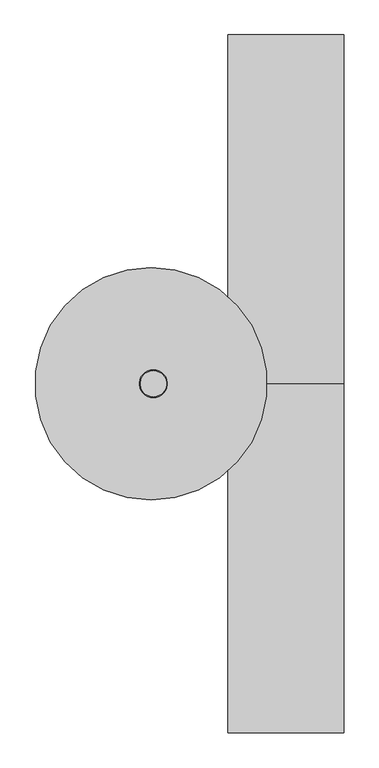
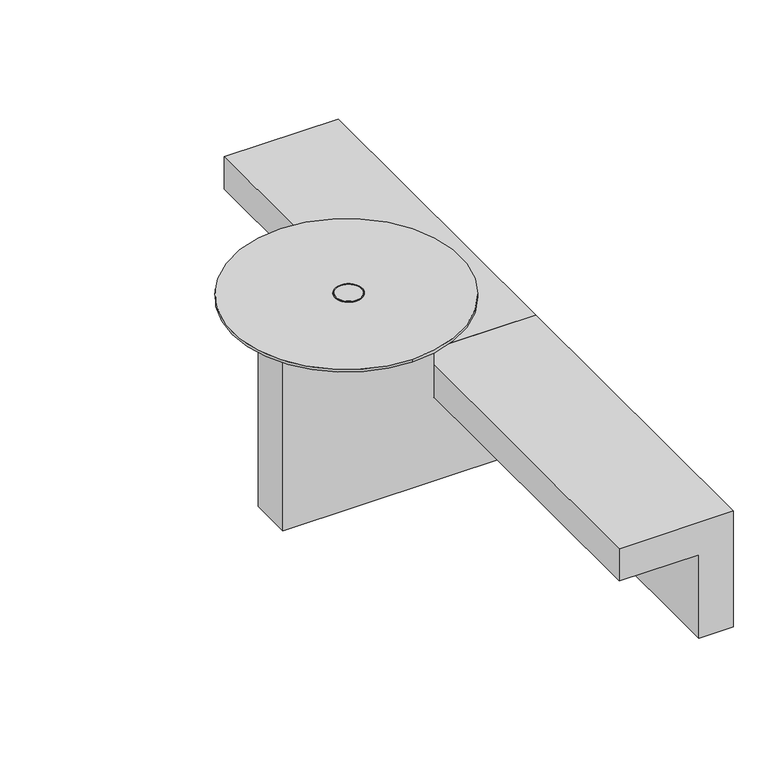
"""IFC4 building model written with IfcOpenShell, lengths in millimetres: furniture geometry."""

from ifc_helpers import new_model, si_unit, point, frame, frame_2d, origin, origin_with_axes, place, context, project, spatial, polyline, circle_curve, ellipse_curve, trimmed, segment, composite_curve, outline, extrude, source, transform, mapped, element, save
from ifc_brep_helpers import plane_surface, cylinder_surface, revolved_surface, advanced_brep


def furniture_77ed1061(model_context):
    return source(origin(), model_context, "Body", "SolidModel", [
        extrude(outline(composite_curve([segment(trimmed(circle_curve(frame_2d((-536.25, 0.0)), 48.0), [point((-536.25, 48.0))], [point((-536.25, -48.0))], False, "CARTESIAN"), True, "CONTINUOUS"), segment(trimmed(circle_curve(frame_2d((-536.25, 0.0)), 48.0), [point((-536.25, -48.0))], [point((-536.25, 48.0))], False, "CARTESIAN"), True, "CONTINUOUS")], self_intersect=False), holes=[composite_curve([segment(trimmed(circle_curve(frame_2d((-536.25, 0.0)), 45.0), [point((-536.25, 45.0))], [point((-536.25, -45.0))], True, "CARTESIAN"), True, "CONTINUOUS"), segment(trimmed(circle_curve(frame_2d((-536.25, 0.0)), 45.0), [point((-536.25, -45.0))], [point((-536.25, 45.0))], True, "CARTESIAN"), True, "CONTINUOUS")], self_intersect=False)]), frame((0.0, 0.0, 750.0), z_axis=(0.0, 0.0, 1.0), x_axis=(1.0, 0.0, 0.0)), (0.0, 0.0, 1.0), 2.0),
        extrude(outline(composite_curve([segment(trimmed(circle_curve(frame_2d((-536.25, 0.0)), 45.0), [point((-536.25, 45.0))], [point((-536.25, -45.0))], False, "CARTESIAN"), True, "CONTINUOUS"), segment(trimmed(circle_curve(frame_2d((-536.25, 0.0)), 45.0), [point((-536.25, -45.0))], [point((-536.25, 45.0))], False, "CARTESIAN"), True, "CONTINUOUS")], self_intersect=False)), frame((0.0, 0.0, 750.0), z_axis=(0.0, 0.0, 1.0), x_axis=(1.0, 0.0, 0.0)), (0.0, 0.0, 1.0), 2.0),
        advanced_brep(
        [(-278.0713252, 0.2775135, 562.6436849), (-278.0713252, 0.2775135, 518.1649803), (-269.2923071, 0.2775135, 518.1649803), (-269.2923071, 0.2775135, 562.6436849)],
        [
            (0, 1, circle_curve(frame((-278.0713252, 0.2775135, 540.4043326), z_axis=(-1.0, 0.0, 0.0), x_axis=(0.0, 0.0, -1.0)), 22.2393523)),
            (1, 0, circle_curve(frame((-278.0713252, 0.2775135, 540.4043326), z_axis=(-1.0, 0.0, 0.0), x_axis=(0.0, 0.0, -1.0)), 22.2393523)),
            (1, 2),
            (2, 3, ellipse_curve(frame((-269.2923071, 0.2775135, 540.4043326), z_axis=(-0.9848077530122081, 0.17364817766693016, 0.0), x_axis=(0.17364817766692978, 0.9848077530122081, 0.0)), 22.5824302, 22.2393523)),
            (3, 0),
            (3, 2, ellipse_curve(frame((-269.2923071, 0.2775135, 540.4043326), z_axis=(-0.9848077530122081, 0.17364817766693016, 0.0), x_axis=(0.17364817766692978, 0.9848077530122081, 0.0)), 22.5824302, 22.2393523)),
        ],
        [
            plane_surface(frame((-278.0713252, 0.2775135, 518.1649803), z_axis=(-1.0, 0.0, 0.0), x_axis=(0.0, -1.0, 0.0))),
            cylinder_surface(frame((-278.0713252, 0.2775135, 540.4043326), z_axis=(1.0, 0.0, 0.0), x_axis=(0.0, 0.0, -1.0)), 22.2393523),
            plane_surface(frame((-273.6676792, -24.5364551, 516.2000865), z_axis=(0.9848077530122081, -0.17364817766693016, 0.0), x_axis=(0.0, 0.0, 1.0))),
        ],
        [
            (0, [[1, 2]]),
            (1, [[-2, 3, 4, 5]]),
            (1, [[-1, -5, 6, -3]]),
            (2, [[-4, -6]]),
        ],
    ),
        extrude(outline(composite_curve([segment(trimmed(circle_curve(frame_2d((0.6057727, 550.3755519)), 45.0), [point((0.6057727, 595.3755519))], [point((0.6057727, 505.3755519))], False, "CARTESIAN"), True, "CONTINUOUS"), segment(trimmed(circle_curve(frame_2d((0.6057727, 550.3755519)), 45.0), [point((0.6057727, 505.3755519))], [point((0.6057727, 595.3755519))], False, "CARTESIAN"), True, "CONTINUOUS")], self_intersect=False)), frame((-280.0, 0.0, 0.0), z_axis=(1.0, 0.0, 0.0), x_axis=(0.0, 1.0, 0.0)), (0.0, 0.0, 1.0), 1.9286748),
        extrude(outline(polyline([(-669.1165811, 76.0), (-421.1165843, 76.0), (-421.1165843, 74.0), (-669.1165811, 74.0), (-669.1165811, 76.0)])), frame((0.0, 0.0, 513.9800009), z_axis=(0.0, 0.0, 1.0), x_axis=(1.0, 0.0, 0.0)), (0.0, 0.0, 1.0), 122.0399981),
        extrude(outline(composite_curve([segment(trimmed(circle_curve(frame_2d((629.0199994, -417.1165832)), 19.9999965), [point((629.0199994, -397.1165866))], [point((649.0199959, -417.1165832))], False, "CARTESIAN"), True, "CONTINUOUS"), segment(polyline([(649.0199959, -417.1165832), (649.0199959, -673.1165822)]), True, "CONTINUOUS"), segment(trimmed(circle_curve(frame_2d((629.0199994, -673.1165822)), 19.9999965), [point((649.0199959, -673.1165822))], [point((629.0199994, -693.1165787))], False, "CARTESIAN"), True, "CONTINUOUS"), segment(polyline([(629.0199994, -693.1165787), (520.9800006, -693.1165787)]), True, "CONTINUOUS"), segment(trimmed(circle_curve(frame_2d((520.9800006, -673.1165822)), 19.9999965), [point((520.9800006, -693.1165787))], [point((500.9800041, -673.1165822))], False, "CARTESIAN"), True, "CONTINUOUS"), segment(polyline([(500.9800041, -673.1165822), (500.9800041, -419.1165792)]), True, "CONTINUOUS"), segment(trimmed(circle_curve(frame_2d((520.8797536, -417.1165866)), 20.0), [point((500.9800041, -419.1165792))], [point((520.8797536, -397.1165866))], False, "CARTESIAN"), True, "CONTINUOUS"), segment(polyline([(520.8797536, -397.1165866), (629.0199994, -397.1165866)]), True, "CONTINUOUS")], self_intersect=False), holes=[polyline([(513.9800009, -669.1165811), (636.0199991, -669.1165811), (636.0199991, -421.1165843), (513.9800009, -421.1165843), (513.9800009, -669.1165811)])]), frame((0.0, 75.0, 0.0), z_axis=(0.0, 1.0, 0.0), x_axis=(0.0, 0.0, 1.0)), (0.0, 0.0, 1.0), 2.0),
        extrude(outline(composite_curve([segment(trimmed(circle_curve(frame_2d((60.423152, -49.9759416)), 25.0), [point((60.423152, -24.9759416))], [point((60.423152, -74.9759416))], False, "CARTESIAN"), True, "CONTINUOUS"), segment(trimmed(circle_curve(frame_2d((60.423152, -49.9759416)), 25.0), [point((60.423152, -74.9759416))], [point((60.423152, -24.9759416))], False, "CARTESIAN"), True, "CONTINUOUS")], self_intersect=False)), origin_with_axes(), (0.0, 0.0, 1.0), 10.0),
        extrude(outline(composite_curve([segment(trimmed(circle_curve(frame_2d((60.423152, 50.0240584)), 25.0), [point((60.423152, 75.0240584))], [point((60.423152, 25.0240584))], False, "CARTESIAN"), True, "CONTINUOUS"), segment(trimmed(circle_curve(frame_2d((60.423152, 50.0240584)), 25.0), [point((60.423152, 25.0240584))], [point((60.423152, 75.0240584))], False, "CARTESIAN"), True, "CONTINUOUS")], self_intersect=False)), origin_with_axes(), (0.0, 0.0, 1.0), 10.0),
        extrude(outline(polyline([(440.0, 120.0), (440.0, -280.0), (320.0, -280.0), (320.0, 0.0), (10.0, 0.0), (10.0, 120.0), (440.0, 120.0)])), frame((0.0, 0.0, 0.0), z_axis=(0.0, 1.0, 0.0), x_axis=(0.0, 0.0, 1.0)), (0.0, 0.0, 1.0), 1200.0),
        extrude(outline(composite_curve([segment(trimmed(circle_curve(frame_2d((-760.0, 0.0)), 25.0), [point((-785.0, 0.0))], [point((-735.0, 0.0))], False, "CARTESIAN"), True, "CONTINUOUS"), segment(trimmed(circle_curve(frame_2d((-760.0, 0.0)), 25.0), [point((-735.0, 0.0))], [point((-785.0, 0.0))], False, "CARTESIAN"), True, "CONTINUOUS")], self_intersect=False)), origin_with_axes(), (0.0, 0.0, 1.0), 10.0),
        extrude(outline(composite_curve([segment(trimmed(circle_curve(frame_2d((60.423152, -1150.0240584)), 25.0), [point((60.423152, -1125.0240584))], [point((60.423152, -1175.0240584))], False, "CARTESIAN"), True, "CONTINUOUS"), segment(trimmed(circle_curve(frame_2d((60.423152, -1150.0240584)), 25.0), [point((60.423152, -1175.0240584))], [point((60.423152, -1125.0240584))], False, "CARTESIAN"), True, "CONTINUOUS")], self_intersect=False)), origin_with_axes(), (0.0, 0.0, 1.0), 10.0),
        advanced_brep(
        [(-544.1165847, 400.0, 750.0), (-544.1165847, -400.0, 750.0), (-544.1165847, -344.0192379, 725.0), (-544.1165847, 344.0192379, 725.0), (-544.1165847, 400.0, 740.0), (-544.1165847, -400.0, 740.0)],
        [
            (0, 1, circle_curve(frame((-544.1165847, 0.0, 750.0), z_axis=(0.0, 0.0, 1.0), x_axis=(0.0, -1.0, 0.0)), 400.0)),
            (1, 0, circle_curve(frame((-544.1165847, 0.0, 750.0), z_axis=(0.0, 0.0, 1.0), x_axis=(0.0, -1.0, 0.0)), 400.0)),
            (2, 3, circle_curve(frame((-544.1165847, 0.0, 725.0), z_axis=(0.0, 0.0, -1.0), x_axis=(0.0, 1.0, 0.0)), 344.0192379)),
            (3, 2, circle_curve(frame((-544.1165847, 0.0, 725.0), z_axis=(0.0, 0.0, -1.0), x_axis=(0.0, -1.0, 0.0)), 344.0192379)),
            (0, 4),
            (4, 5, circle_curve(frame((-544.1165847, 0.0, 740.0), z_axis=(0.0, 0.0, 1.0), x_axis=(0.0, -1.0, 0.0)), 400.0)),
            (5, 1),
            (5, 4, circle_curve(frame((-544.1165847, 0.0, 740.0), z_axis=(0.0, 0.0, 1.0), x_axis=(0.0, -1.0, 0.0)), 400.0)),
            (2, 5),
            (4, 3),
        ],
        [
            plane_surface(frame((-544.1165847, -400.0, 750.0), z_axis=(0.0, 0.0, 1.0), x_axis=(1.0, 0.0, 0.0))),
            plane_surface(frame((-544.1165847, -400.0, 725.0), z_axis=(0.0, 0.0, -1.0), x_axis=(-1.0, 0.0, 0.0))),
            cylinder_surface(frame((-544.1165847, 0.0, 725.0), z_axis=(0.0, 0.0, 1.0), x_axis=(0.0, -1.0, 0.0)), 400.0),
            revolved_surface(polyline([(-544.1165847, 336.5551363, 723.0), (-544.1165847, 400.0, 740.0)]), (-544.1165847, 0.0, 725.0), (0.0, 0.0, 1.0)),
            revolved_surface(polyline([(-544.1165847, -336.5551363, 723.0), (-544.1165847, -400.0, 740.0)]), (-544.1165847, 0.0, 725.0), (0.0, 0.0, 1.0)),
        ],
        [
            (0, [[1, 2]]),
            (1, [[3, 4]]),
            (2, [[-1, 5, 6, 7]]),
            (2, [[-2, -7, 8, -5]]),
            (3, [[9, -6, 10, -3]]),
            (4, [[-9, -4, -10, -8]]),
        ],
    ),
        extrude(outline(polyline([(320.0, -280.0), (725.0, -280.0), (725.0, -810.0), (10.0, -810.0), (10.0, 0.0), (320.0, 0.0), (320.0, -280.0)])), frame((0.0, -75.0, 0.0), z_axis=(0.0, 1.0, 0.0), x_axis=(0.0, 0.0, 1.0)), (0.0, 0.0, 1.0), 150.0),
        extrude(outline(composite_curve([segment(trimmed(circle_curve(frame_2d((60.423152, 1150.0240584)), 25.0), [point((60.423152, 1175.0240584))], [point((60.423152, 1125.0240584))], False, "CARTESIAN"), True, "CONTINUOUS"), segment(trimmed(circle_curve(frame_2d((60.423152, 1150.0240584)), 25.0), [point((60.423152, 1125.0240584))], [point((60.423152, 1175.0240584))], False, "CARTESIAN"), True, "CONTINUOUS")], self_intersect=False)), origin_with_axes(), (0.0, 0.0, 1.0), 10.0),
        extrude(outline(polyline([(440.0, 120.0), (440.0, -280.0), (320.0, -280.0), (320.0, 0.0), (10.0, 0.0), (10.0, 120.0), (440.0, 120.0)])), frame((0.0, -1200.0, 0.0), z_axis=(0.0, 1.0, 0.0), x_axis=(0.0, 0.0, 1.0)), (0.0, 0.0, 1.0), 1200.0),
    ])


if __name__ == "__main__":
    model = new_model("IFC4")
    model_context = context("Model", 3, world=origin())
    ifc_project = project(units=[si_unit("LENGTHUNIT", "METRE", prefix="MILLI")], contexts=[model_context])
    site = spatial("IfcSite", under=ifc_project)
    building = spatial("IfcBuilding", under=site)
    placement = place(None, origin())
    furniture_shape = furniture_77ed1061(model_context)
    element("IfcFurniture", 1, at=placement, inside=building, context=model_context, shape_type="MappedRepresentation", body=[
        mapped(furniture_shape, transform((0.0, 0.0, 0.0), x_axis=(1.0, 0.0, 0.0), y_axis=(0.0, 1.0, 0.0), z_axis=(0.0, 0.0, 1.0))),
    ])
    save(model, "model.ifc")
